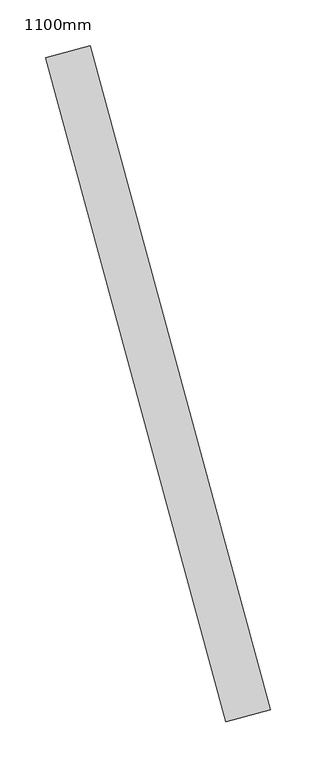
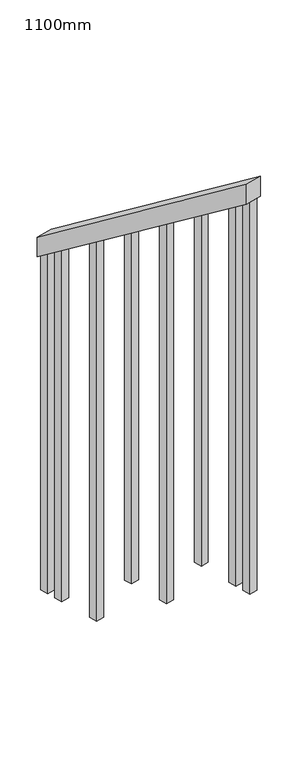
"""IFC4 building model written with IfcOpenShell, lengths in millimetres: railing geometry, 1100mm."""

from ifc_helpers import new_model, si_unit, frame, origin, place, context, project, spatial, polyline, outline, extrude, source, transform, mapped, element, save


def railing_1100mm_dd38aec1(model_context):
    return source(origin(), model_context, "Body", "SweptSolid", [
        extrude(outline(polyline([(35.5555555, -50.0), (0.0, 0.0), (920.2958461, 0.0), (955.8514016, -50.0), (35.5555555, -50.0)])), frame((145488.952041, 28507.1804207, 1216.4247214), z_axis=(0.9649894123601868, 0.2622888370341775, 0.0), x_axis=(0.21375368431596228, -0.7864232597554556, 0.5795237863599347)), (0.0, 0.0, 1.0), 50.0),
        extrude(outline(polyline([(1271.980277, 25.0000001), (1271.980277, 0.0), (91.1111112, 0.0), (108.8888889, 25.0000001), (1271.980277, 25.0000001)])), frame((145684.6165946, 27834.9664425, 1805.3136103), z_axis=(0.964989412360187, 0.26228883703417755, 0.0), x_axis=(0.0, 0.0, -1.0)), (0.0, 0.0, 1.0), 25.0),
        extrude(outline(polyline([(1183.0913881, 25.0), (1183.0913881, 0.0), (91.1111111, 0.0), (108.8888889, 25.0), (1183.0913881, 25.0)])), frame((145651.83049, 27955.5901191, 1716.4247214), z_axis=(0.964989412360187, 0.26228883703417755, 0.0), x_axis=(0.0, 0.0, -1.0)), (0.0, 0.0, 1.0), 25.0),
        extrude(outline(polyline([(1271.9802769, 25.0), (1271.9802769, 0.0), (91.1111111, 0.0), (108.8888889, 25.0), (1271.9802769, 25.0)])), frame((145619.0443854, 28076.2137956, 1627.5358325), z_axis=(0.964989412360187, 0.26228883703417755, 0.0), x_axis=(0.0, 0.0, -1.0)), (0.0, 0.0, 1.0), 25.0),
        extrude(outline(polyline([(1183.091388, 25.0), (1183.091388, 0.0), (91.1111111, 0.0), (108.8888889, 25.0), (1183.091388, 25.0)])), frame((145586.2582807, 28196.8374722, 1538.6469436), z_axis=(0.964989412360187, 0.26228883703417755, 0.0), x_axis=(0.0, 0.0, -1.0)), (0.0, 0.0, 1.0), 25.0),
        extrude(outline(polyline([(1271.9802769, 25.0), (1271.9802769, 0.0), (91.1111111, 0.0), (108.8888889, 25.0), (1271.9802769, 25.0)])), frame((145553.4721761, 28317.4611487, 1449.7580547), z_axis=(0.964989412360187, 0.26228883703417755, 0.0), x_axis=(0.0, 0.0, -1.0)), (0.0, 0.0, 1.0), 25.0),
        extrude(outline(polyline([(1183.091388, 25.0), (1183.091388, 0.0), (91.1111111, 0.0), (108.8888889, 25.0), (1183.091388, 25.0)])), frame((145520.6860715, 28438.0848253, 1360.8691658), z_axis=(0.964989412360187, 0.26228883703417755, 0.0), x_axis=(0.0, 0.0, -1.0)), (0.0, 0.0, 1.0), 25.0),
        extrude(outline(polyline([(1307.5358325, 25.0), (1307.5358325, 0.0), (91.1111111, 0.0), (108.8888889, 25.0), (1307.5358325, 25.0)])), frame((145697.7310365, 27786.7169719, 1840.8691658), z_axis=(0.964989412360187, 0.26228883703417755, 0.0), x_axis=(0.0, 0.0, -1.0)), (0.0, 0.0, 1.0), 25.0),
        extrude(outline(polyline([(1147.5358325, 25.0), (1147.5358325, 0.0), (91.1111112, 0.0), (108.8888889, 25.0), (1147.5358325, 25.0)])), frame((145507.5716296, 28486.3342959, 1325.3136103), z_axis=(0.964989412360187, 0.26228883703417755, 0.0), x_axis=(0.0, 0.0, -1.0)), (0.0, 0.0, 1.0), 25.0),
    ])


if __name__ == "__main__":
    model = new_model("IFC4")
    model_context = context("Model", 3, world=origin())
    ifc_project = project(units=[si_unit("LENGTHUNIT", "METRE", prefix="MILLI")], contexts=[model_context])
    site = spatial("IfcSite", under=ifc_project)
    building = spatial("IfcBuilding", under=site)
    placement = place(None, origin())
    railing_1100mm_shape = railing_1100mm_dd38aec1(model_context)
    element("IfcRailing", 1, ObjectType="1100mm", at=placement, inside=building, context=model_context, shape_type="MappedRepresentation", body=[
        mapped(railing_1100mm_shape, transform((0.0, 0.0, 0.0), x_axis=(1.0, 0.0, 0.0), y_axis=(0.0, 1.0, 0.0), z_axis=(0.0, 0.0, 1.0))),
    ])
    save(model, "model.ifc")
